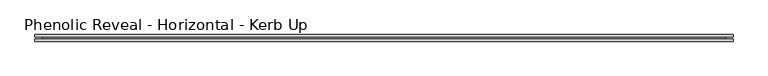
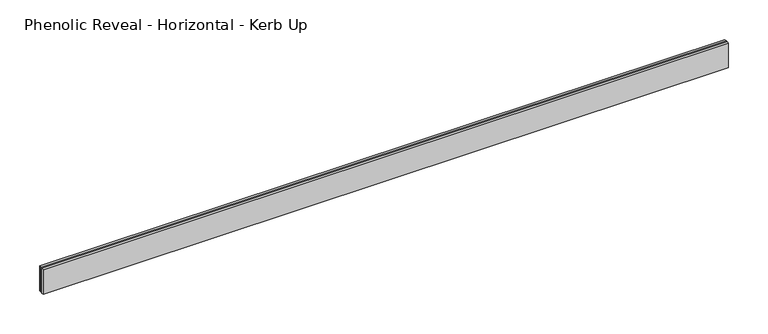
"""IFC4 building model written with IfcOpenShell, lengths in millimetres: proxy geometry, Phenolic Reveal - Horizontal - Kerb Up."""

from ifc_helpers import new_model, si_unit, origin, place, context, project, spatial, faceted_brep, source, transform, mapped, element, save


def phenolic_reveal_horizontal_kerb_up_37b1dd58(model_context):
    return source(origin(), model_context, "Body", "Brep", [
        faceted_brep([(1000.125, 9.525, 0.0), (1000.125, 9.525, 38.1), (1000.125, 6.0765851, 38.1), (1000.125, 6.0765851, 0.0), (1000.125, 3.3757545, 0.0), (1000.125, 3.3757545, 38.1), (1000.125, 0.0, 38.1), (1000.125, 0.0, 0.0), (0.0, 0.0, 0.0), (0.0, 0.0, 38.1), (0.0, 3.3757545, 38.1), (0.0, 3.3757545, 0.0), (0.0, 6.0765851, 0.0), (0.0, 6.0765851, 38.1), (0.0, 9.525, 38.1), (0.0, 9.525, 0.0), (989.0125, 6.0765851, 0.0), (989.0125, 3.3757545, 0.0), (11.1125, 3.3757545, 0.0), (11.1125, 6.0765851, 0.0), (989.0125, 6.0765851, 26.9875), (989.0125, 3.3757545, 26.9875), (11.1125, 6.0765851, 26.9875), (11.1125, 3.3757545, 26.9875)], [[[0, 1, 2, 3]], [[4, 5, 6, 7]], [[8, 9, 10, 11]], [[12, 13, 14, 15]], [[1, 0, 15, 14]], [[6, 5, 10, 9]], [[7, 6, 9, 8]], [[15, 0, 3, 16, 17, 4, 7, 8, 11, 18, 19, 12]], [[16, 20, 21, 17]], [[22, 19, 18, 23]], [[13, 2, 1, 14]], [[12, 19, 22, 20, 16, 3, 2, 13]], [[20, 22, 23, 21]], [[4, 17, 21, 23, 18, 11, 10, 5]]]),
    ])


if __name__ == "__main__":
    model = new_model("IFC4")
    model_context = context("Model", 3, world=origin())
    ifc_project = project(units=[si_unit("LENGTHUNIT", "METRE", prefix="MILLI")], contexts=[model_context])
    site = spatial("IfcSite", under=ifc_project)
    building = spatial("IfcBuilding", under=site)
    placement = place(None, origin())
    phenolic_reveal_horizontal_kerb_up_shape = phenolic_reveal_horizontal_kerb_up_37b1dd58(model_context)
    element("IfcBuildingElementProxy", 1, Name="Phenolic Reveal - Horizontal - Kerb Up", ObjectType="Phenolic Reveal - Horizontal - Kerb Up", at=placement, inside=building, context=model_context, shape_type="MappedRepresentation", body=[
        mapped(phenolic_reveal_horizontal_kerb_up_shape, transform((0.0, 0.0, 0.0), x_axis=(1.0, 0.0, 0.0), y_axis=(0.0, 1.0, 0.0), z_axis=(0.0, 0.0, 1.0))),
    ])
    save(model, "model.ifc")
